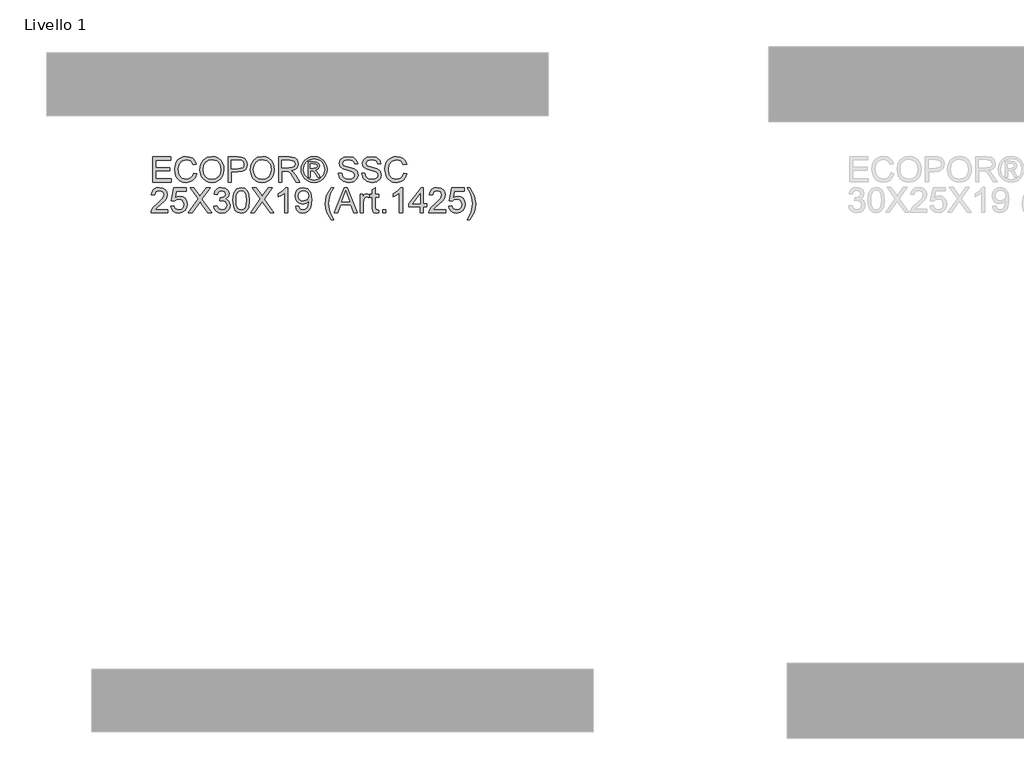
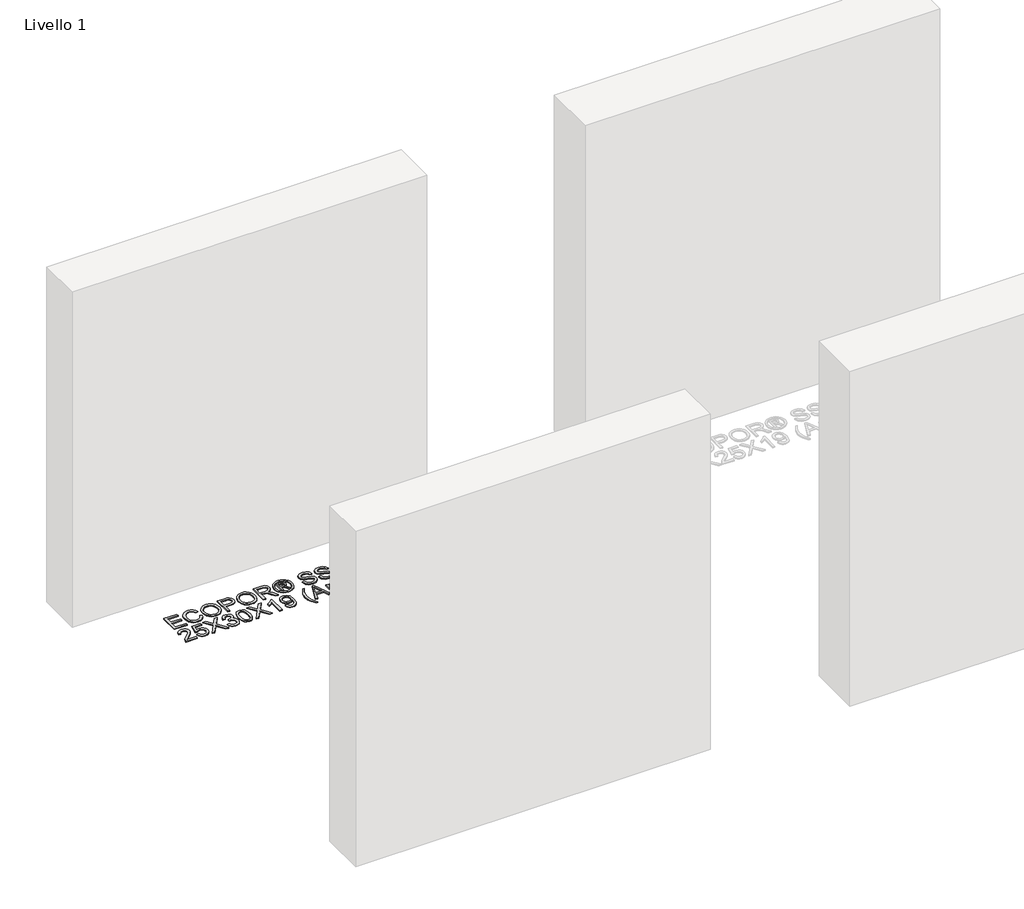
# One storey, part 3 of 10: 1 proxy.
"""IFC4 building model written with IfcOpenShell, lengths in millimetres."""

from ifc_helpers import new_model, si_unit, origin, origin_with_axes, place, context, project, spatial, polyline, outline, extrude, element, save

model = new_model("IFC4")

# Units and contexts
model_context = context("Model", 3, world=origin())
ifc_project = project(units=[si_unit("LENGTHUNIT", "METRE", prefix="MILLI")], contexts=[model_context])

# Site, building, storey
site = spatial("IfcSite", under=ifc_project)
building = spatial("IfcBuilding", under=site)
storey = spatial("IfcBuildingStorey", under=building, Name="Livello 1", Elevation=0.0)

# Proxy
placement = place(None, origin())
element("IfcBuildingElementProxy", 1, Name="100", ObjectType="100", at=placement, inside=storey, context=model_context, shape_type="SweptSolid", body=[
    extrude(outline(polyline([(-7504.5663261, 2603.4009726), (-7504.5663261, 2703.8572827), (-7432.3633532, 2703.8572827), (-7432.3633532, 2691.3002439), (-7492.0092873, 2691.3002439), (-7492.0092873, 2661.4772769), (-7435.5026129, 2661.4772769), (-7435.5026129, 2648.9202381), (-7492.0092873, 2648.9202381), (-7492.0092873, 2615.9580113), (-7430.7937233, 2615.9580113), (-7430.7937233, 2603.4009726), (-7504.5663261, 2603.4009726)])), origin_with_axes(), (0.0, 0.0, 1.0), 5.0),
    extrude(outline(polyline([(-7341.3248221, 2639.1100516), (-7328.7677834, 2635.87269), (-7334.5619248, 2621.2401836), (-7343.6547414, 2610.550146), (-7355.5986435, 2604.0110435), (-7369.9460413, 2601.8313427), (-7384.5111027, 2603.4806803), (-7396.0779257, 2608.4286932), (-7404.9438818, 2616.5037029), (-7411.4063422, 2627.5340314), (-7416.6670547, 2654.3894171), (-7415.1801983, 2669.0372519), (-7410.7196291, 2681.6862611), (-7403.5183391, 2691.9348404), (-7393.8093201, 2699.3813851), (-7382.2946136, 2703.9155307), (-7369.6762612, 2705.4269125), (-7355.9082775, 2703.4710066), (-7344.5253955, 2697.6032888), (-7335.8832343, 2688.1855097), (-7330.3374132, 2675.57942), (-7342.894452, 2672.5873131), (-7353.1951478, 2688.0260942), (-7370.1667705, 2692.8698738), (-7389.8116691, 2687.4987967), (-7400.9094426, 2673.0778224), (-7404.110016, 2654.4139426), (-7400.3208314, 2632.7824812), (-7388.5240821, 2618.9623809), (-7371.1968401, 2614.3883815), (-7360.7152689, 2615.9457486), (-7351.9811372, 2620.6178499), (-7345.3868525, 2628.3556346), (-7341.3248221, 2639.1100516)])), origin_with_axes(), (0.0, 0.0, 1.0), 5.0),
    extrude(outline(polyline([(-7316.2107446, 2652.3047524), (-7312.8630184, 2674.5186936), (-7302.81984, 2691.3247694), (-7287.4852921, 2701.9013768), (-7268.2634579, 2705.4269125), (-7255.0871511, 2703.7714436), (-7243.2720077, 2698.8050366), (-7233.4618211, 2690.8771796), (-7226.300385, 2680.3373605), (-7221.9225892, 2667.6944826), (-7220.463324, 2653.4574494), (-7221.9992313, 2639.0303438), (-7226.6069533, 2626.2096563), (-7234.0320382, 2615.651443), (-7244.0200344, 2608.0117602), (-7255.7340103, 2603.3764471), (-7268.3370343, 2601.8313427), (-7281.7156762, 2603.5389283), (-7293.5982646, 2608.6616851), (-7303.3839257, 2616.7366949), (-7310.4717855, 2627.3010395), (-7316.2107446, 2652.3047524)]), holes=[polyline([(-7303.6537058, 2652.1821251), (-7301.1429112, 2636.4674326), (-7293.6105273, 2624.4928736), (-7282.2889589, 2616.9145045), (-7268.4106107, 2614.3883815), (-7254.3299273, 2616.93903), (-7242.9899648, 2624.5909755), (-7235.5127633, 2636.9334164), (-7233.0203627, 2653.5555512), (-7237.2877939, 2674.2795703), (-7249.7589935, 2688.0015687), (-7268.1898815, 2692.8698738), (-7281.6972821, 2690.5246261), (-7293.1813317, 2683.4888829), (-7301.0356123, 2670.971698), (-7303.6537058, 2652.1821251)])]), origin_with_axes(), (0.0, 0.0, 1.0), 5.0),
    extrude(outline(polyline([(-7203.1973957, 2603.4009726), (-7203.1973957, 2703.8572827), (-7165.9677378, 2703.8572827), (-7150.9581523, 2702.9007895), (-7138.7567328, 2698.2041627), (-7130.8472699, 2688.492078), (-7127.8551631, 2674.7946051), (-7129.8754483, 2662.9549362), (-7135.9363042, 2653.0895674), (-7147.2701353, 2646.4309033), (-7165.1093464, 2644.2113486), (-7190.6403569, 2644.2113486), (-7190.6403569, 2603.4009726), (-7203.1973957, 2603.4009726)]), holes=[polyline([(-7190.6403569, 2656.7683873), (-7164.3735824, 2656.7683873), (-7145.8813808, 2661.379175), (-7141.7794966, 2666.9280618), (-7140.4122018, 2674.3531467), (-7143.6373006, 2684.7519444), (-7152.1108493, 2690.4418526), (-7164.667888, 2691.3002439), (-7190.6403569, 2691.3002439), (-7190.6403569, 2656.7683873)])]), origin_with_axes(), (0.0, 0.0, 1.0), 5.0),
    extrude(outline(polyline([(-7115.2981243, 2652.3047524), (-7111.9503981, 2674.5186936), (-7101.9072197, 2691.3247694), (-7086.5726718, 2701.9013768), (-7067.3508376, 2705.4269125), (-7054.1745308, 2703.7714436), (-7042.3593874, 2698.8050366), (-7032.5492008, 2690.8771796), (-7025.3877647, 2680.3373605), (-7021.0099689, 2667.6944826), (-7019.5507037, 2653.4574494), (-7021.086611, 2639.0303438), (-7025.694333, 2626.2096563), (-7033.1194179, 2615.651443), (-7043.1074141, 2608.0117602), (-7054.82139, 2603.3764471), (-7067.424414, 2601.8313427), (-7080.8030559, 2603.5389283), (-7092.6856443, 2608.6616851), (-7102.4713054, 2616.7366949), (-7109.5591652, 2627.3010395), (-7115.2981243, 2652.3047524)]), holes=[polyline([(-7102.7410855, 2652.1821251), (-7100.2302909, 2636.4674326), (-7092.697907, 2624.4928736), (-7081.3763386, 2616.9145045), (-7067.4979904, 2614.3883815), (-7053.417307, 2616.93903), (-7042.0773445, 2624.5909755), (-7034.600143, 2636.9334164), (-7032.1077424, 2653.5555512), (-7036.3751736, 2674.2795703), (-7048.8463732, 2688.0015687), (-7067.2772612, 2692.8698738), (-7080.7846618, 2690.5246261), (-7092.2687114, 2683.4888829), (-7100.122992, 2670.971698), (-7102.7410855, 2652.1821251)])]), origin_with_axes(), (0.0, 0.0, 1.0), 5.0),
    extrude(outline(polyline([(-7002.2847754, 2603.4009726), (-7002.2847754, 2703.8572827), (-6958.9973273, 2703.8572827), (-6938.8987076, 2701.1472187), (-6927.9112987, 2691.5577613), (-6923.8032831, 2676.3642349), (-6925.5047373, 2666.4682093), (-6930.6091, 2658.2644408), (-6939.2696553, 2652.2495701), (-6951.6396874, 2648.9202381), (-6944.5027767, 2643.549161), (-6934.3247081, 2630.6242402), (-6917.5738146, 2603.4009726), (-6932.1664671, 2603.4009726), (-6945.2385406, 2624.2230935), (-6954.6808452, 2638.0064056), (-6961.3149838, 2644.5179169), (-6967.2869349, 2646.9091499), (-6974.5709984, 2647.3506082), (-6989.7277366, 2647.3506082), (-6989.7277366, 2603.4009726), (-7002.2847754, 2603.4009726)]), holes=[polyline([(-6989.7277366, 2659.907647), (-6961.6215522, 2659.907647), (-6947.2864171, 2661.6857433), (-6939.1439623, 2667.3756515), (-6936.3603218, 2675.8982511), (-6941.6700853, 2686.9592364), (-6958.457767, 2691.3002439), (-6989.7277366, 2691.3002439), (-6989.7277366, 2659.907647)])]), origin_with_axes(), (0.0, 0.0, 1.0), 5.0),
    extrude(outline(polyline([(-6860.9935638, 2705.4269125), (-6848.0992998, 2703.7530495), (-6835.5116042, 2698.7314602), (-6824.4536846, 2690.5951368), (-6816.1487485, 2679.577071), (-6810.9524154, 2666.8544854), (-6809.2203043, 2653.6046022), (-6810.9278899, 2640.4712149), (-6816.0506467, 2627.8528625), (-6824.2544152, 2616.8746506), (-6835.2050359, 2608.6616851), (-6847.8141913, 2603.5389283), (-6860.9935638, 2601.8313427), (-6874.1545421, 2603.5389283), (-6886.7575661, 2608.6616851), (-6897.7173839, 2616.8746506), (-6905.9487436, 2627.8528625), (-6911.0990915, 2640.4712149), (-6912.8158741, 2653.6046022), (-6911.074566, 2666.8544854), (-6905.8506417, 2679.577071), (-6897.5181145, 2690.5951368), (-6886.4509978, 2698.7314602), (-6873.8694336, 2703.7530495), (-6860.9935638, 2705.4269125)]), holes=[polyline([(-6860.9935638, 2696.0091335), (-6881.8156847, 2690.5276917), (-6890.844122, 2683.8659619), (-6897.6713987, 2674.843656), (-6903.3980951, 2653.6046022), (-6897.7817633, 2632.5494893), (-6882.0609393, 2616.8654536), (-6860.9935638, 2611.2491218), (-6839.9139254, 2616.8654536), (-6824.2298897, 2632.5494893), (-6818.6380834, 2653.6046022), (-6824.3279916, 2674.843656), (-6831.1368742, 2683.8659619), (-6840.1837056, 2690.5276917), (-6860.9935638, 2696.0091335)])]), origin_with_axes(), (0.0, 0.0, 1.0), 5.0),
    extrude(outline(polyline([(-6884.5625369, 2622.2365307), (-6884.5625369, 2685.0217246), (-6864.2799762, 2685.0217246), (-6849.2213399, 2683.2926792), (-6841.8023863, 2677.2594145), (-6839.0432714, 2668.0991528), (-6843.8012118, 2656.1797761), (-6856.4073015, 2650.4898679), (-6851.5022083, 2647.1544045), (-6842.9428205, 2634.6218912), (-6835.9040117, 2622.2365307), (-6846.4990131, 2622.2365307), (-6852.0172431, 2632.19387), (-6861.2633439, 2646.6148443), (-6869.2831714, 2648.9202381), (-6875.1447578, 2648.9202381), (-6875.1447578, 2622.2365307), (-6884.5625369, 2622.2365307)]), holes=[polyline([(-6875.1447578, 2658.3380172), (-6863.2253812, 2658.3380172), (-6851.5757847, 2660.7292501), (-6848.4610504, 2667.0690832), (-6849.9571039, 2671.6308199), (-6854.1141704, 2674.6229268), (-6863.9856706, 2675.6039455), (-6875.1447578, 2675.6039455), (-6875.1447578, 2658.3380172)])]), origin_with_axes(), (0.0, 0.0, 1.0), 5.0),
    extrude(outline(polyline([(-6763.7010388, 2637.9328292), (-6751.144, 2637.9328292), (-6747.097298, 2625.3635277), (-6737.2135351, 2617.4172766), (-6722.1548988, 2614.3883815), (-6709.0337743, 2616.6815126), (-6700.5602257, 2622.9845574), (-6697.7765852, 2631.4090551), (-6699.8612499, 2639.2449416), (-6708.3961122, 2644.9471125), (-6726.6798473, 2649.7418412), (-6746.3615341, 2655.9345215), (-6757.0423746, 2665.2787241), (-6760.5617791, 2677.7621865), (-6756.2085088, 2691.9746943), (-6743.4920545, 2702.00561), (-6724.8772255, 2705.4269125), (-6705.0115978, 2701.8461945), (-6691.767846, 2691.3247694), (-6686.7891763, 2675.6039455), (-6699.3462151, 2675.6039455), (-6701.6516089, 2683.0964754), (-6706.4586003, 2688.5043408), (-6724.3867162, 2692.8698738), (-6742.363883, 2688.5533917), (-6748.0047403, 2678.1300685), (-6744.0070893, 2669.423528), (-6723.5037994, 2662.4092446), (-6701.2837269, 2656.1061997), (-6689.1313583, 2645.9281312), (-6685.2195465, 2631.7278862), (-6689.7199695, 2616.706038), (-6702.6694158, 2605.7431546), (-6721.6643894, 2601.8313427), (-6744.0929284, 2606.0497229), (-6758.2809107, 2618.7539145), (-6763.7010388, 2637.9328292)])), origin_with_axes(), (0.0, 0.0, 1.0), 5.0),
    extrude(outline(polyline([(-6671.0928778, 2637.9328292), (-6658.5358391, 2637.9328292), (-6654.4891371, 2625.3635277), (-6644.6053742, 2617.4172766), (-6629.5467379, 2614.3883815), (-6616.4256134, 2616.6815126), (-6607.9520647, 2622.9845574), (-6605.1684243, 2631.4090551), (-6607.2530889, 2639.2449416), (-6615.7879512, 2644.9471125), (-6634.0716864, 2649.7418412), (-6653.7533731, 2655.9345215), (-6664.4342137, 2665.2787241), (-6667.9536181, 2677.7621865), (-6663.6003479, 2691.9746943), (-6650.8838936, 2702.00561), (-6632.2690646, 2705.4269125), (-6612.4034369, 2701.8461945), (-6599.1596851, 2691.3247694), (-6594.1810154, 2675.6039455), (-6606.7380542, 2675.6039455), (-6609.043448, 2683.0964754), (-6613.8504394, 2688.5043408), (-6631.7785553, 2692.8698738), (-6649.7557221, 2688.5533917), (-6655.3965794, 2678.1300685), (-6651.3989284, 2669.423528), (-6630.8956385, 2662.4092446), (-6608.675566, 2656.1061997), (-6596.5231974, 2645.9281312), (-6592.6113855, 2631.7278862), (-6597.1118086, 2616.706038), (-6610.0612548, 2605.7431546), (-6629.0562285, 2601.8313427), (-6651.4847675, 2606.0497229), (-6665.6727498, 2618.7539145), (-6671.0928778, 2637.9328292)])), origin_with_axes(), (0.0, 0.0, 1.0), 5.0),
    extrude(outline(polyline([(-6503.1424843, 2639.1100516), (-6490.5854455, 2635.87269), (-6496.379587, 2621.2401836), (-6505.4724036, 2610.550146), (-6517.4163057, 2604.0110435), (-6531.7637035, 2601.8313427), (-6546.3287649, 2603.4806803), (-6557.8955879, 2608.4286932), (-6566.761544, 2616.5037029), (-6573.2240044, 2627.5340314), (-6578.4847169, 2654.3894171), (-6576.9978605, 2669.0372519), (-6572.5372913, 2681.6862611), (-6565.3360013, 2691.9348404), (-6555.6269823, 2699.3813851), (-6544.1122758, 2703.9155307), (-6531.4939234, 2705.4269125), (-6517.7259397, 2703.4710066), (-6506.3430577, 2697.6032888), (-6497.7008965, 2688.1855097), (-6492.1550754, 2675.57942), (-6504.7121142, 2672.5873131), (-6515.01281, 2688.0260942), (-6531.9844327, 2692.8698738), (-6551.6293313, 2687.4987967), (-6562.7271048, 2673.0778224), (-6565.9276782, 2654.4139426), (-6562.1384936, 2632.7824812), (-6550.3417443, 2618.9623809), (-6533.0145023, 2614.3883815), (-6522.5329311, 2615.9457486), (-6513.7987994, 2620.6178499), (-6507.2045147, 2628.3556346), (-6503.1424843, 2639.1100516)])), origin_with_axes(), (0.0, 0.0, 1.0), 5.0),
    extrude(outline(polyline([(-7444.920392, 2493.9831935), (-7444.920392, 2481.4261547), (-7510.8448455, 2481.4261547), (-7509.4959448, 2490.0836443), (-7501.8685248, 2503.4132353), (-7486.1477009, 2517.9690996), (-7464.4671886, 2538.8893224), (-7459.0470606, 2553.1140928), (-7464.1606203, 2564.6287993), (-7477.5147367, 2569.3254261), (-7491.4329389, 2564.7391639), (-7496.7181769, 2552.0594978), (-7509.2752157, 2553.6291276), (-7506.2309921, 2565.7753648), (-7499.6489701, 2574.6474523), (-7489.8725061, 2580.0737117), (-7477.2449566, 2581.8824649), (-7464.5254366, 2579.8713766), (-7454.7673667, 2573.8381119), (-7448.559358, 2564.825003), (-7446.4900218, 2553.8743823), (-7448.7218392, 2541.9672684), (-7456.1407928, 2529.6554843), (-7474.1302224, 2512.4508696), (-7488.5757221, 2500.3720775), (-7494.2411048, 2493.9831935), (-7444.920392, 2493.9831935)])), origin_with_axes(), (0.0, 0.0, 1.0), 5.0),
    extrude(outline(polyline([(-7432.3633532, 2508.1098621), (-7419.8063144, 2509.6794919), (-7413.4787441, 2496.7423084), (-7400.3576196, 2492.4135636), (-7391.3567735, 2493.9188141), (-7384.6122702, 2498.4345656), (-7380.4000214, 2505.4396519), (-7378.9959384, 2514.4129069), (-7384.256651, 2529.3243905), (-7390.8631985, 2533.4262747), (-7400.1614159, 2534.7935695), (-7411.185613, 2532.610803), (-7418.2366846, 2526.9454202), (-7430.7937233, 2528.5150501), (-7419.8063144, 2580.312835), (-7371.1477892, 2580.312835), (-7371.1477892, 2567.7557962), (-7409.6527714, 2567.7557962), (-7415.0238485, 2540.0910702), (-7406.0536592, 2545.5357237), (-7396.6542742, 2547.3506082), (-7384.9219042, 2545.1003967), (-7375.1822284, 2538.3497621), (-7368.6247318, 2528.061329), (-7366.4388997, 2515.1977219), (-7368.4070683, 2502.6406831), (-7374.3115744, 2491.8985288), (-7385.6178143, 2482.8670259), (-7400.4066705, 2479.8565249), (-7412.7399144, 2481.790971), (-7422.5654294, 2487.5943095), (-7429.3007356, 2496.59209), (-7432.3633532, 2508.1098621)])), origin_with_axes(), (0.0, 0.0, 1.0), 5.0),
    extrude(outline(polyline([(-7361.7300101, 2481.4261547), (-7323.0042988, 2536.1669956), (-7355.4514907, 2581.8824649), (-7340.3928544, 2581.8824649), (-7322.121382, 2556.1552507), (-7315.9654899, 2546.1243349), (-7308.7550028, 2556.3269289), (-7290.6797341, 2581.8824649), (-7275.4003686, 2581.8824649), (-7307.8475606, 2536.0198428), (-7269.1218492, 2481.4261547), (-7284.1804855, 2481.4261547), (-7309.9812761, 2517.8219468), (-7315.3523533, 2525.3757904), (-7321.2629906, 2517.0861828), (-7346.4506446, 2481.4261547), (-7361.7300101, 2481.4261547)])), origin_with_axes(), (0.0, 0.0, 1.0), 5.0),
    extrude(outline(polyline([(-7261.2737, 2508.1098621), (-7248.7166612, 2509.6794919), (-7241.788217, 2496.4602656), (-7228.826508, 2492.4135636), (-7220.2180693, 2493.8053838), (-7213.5716679, 2497.9808445), (-7207.9062852, 2511.7641566), (-7213.522617, 2524.750391), (-7227.7964384, 2529.8884762), (-7236.6010808, 2528.5150501), (-7235.2031292, 2541.0720889), (-7233.192041, 2540.9249361), (-7218.9427451, 2544.5301796), (-7214.1970673, 2549.1041791), (-7212.6151747, 2555.6156904), (-7217.2014369, 2565.4381397), (-7229.0227117, 2569.3254261), (-7240.9911393, 2565.4013515), (-7247.1470314, 2553.6291276), (-7259.7040701, 2555.1987575), (-7256.0068561, 2566.4743406), (-7249.4278997, 2574.8927069), (-7240.4270536, 2580.1350254), (-7229.4641701, 2581.8824649), (-7214.3196947, 2578.4366368), (-7203.7246932, 2569.0188578), (-7200.058136, 2556.3514544), (-7203.5407522, 2544.7754343), (-7213.8414481, 2536.4613012), (-7200.1562378, 2527.877388), (-7195.3492464, 2511.5434274), (-7197.7527421, 2499.3052197), (-7204.9632292, 2489.0781002), (-7215.8464049, 2482.1619187), (-7229.2679664, 2479.8565249), (-7241.4080722, 2481.8246935), (-7251.2918352, 2487.7291996), (-7258.1650971, 2496.7607025), (-7261.2737, 2508.1098621)])), origin_with_axes(), (0.0, 0.0, 1.0), 5.0),
    extrude(outline(polyline([(-7184.3618375, 2530.8449694), (-7180.6707548, 2559.7482315), (-7169.7078714, 2576.4132859), (-7151.3996107, 2581.8824649), (-7136.7333819, 2578.6451033), (-7126.6043643, 2569.3131634), (-7120.7182523, 2554.4507308), (-7118.437384, 2530.8449694), (-7122.0916785, 2502.0643346), (-7133.0177737, 2485.3624921), (-7141.2491334, 2481.2330167), (-7151.3996107, 2479.8565249), (-7164.4471588, 2482.2477578), (-7174.3554472, 2489.4214567), (-7181.8602399, 2506.4114735), (-7184.3618375, 2530.8449694)]), holes=[polyline([(-7171.8047987, 2530.8694949), (-7170.3332708, 2511.1172974), (-7165.9186868, 2499.6853644), (-7159.3458618, 2494.2315138), (-7151.3996107, 2492.4135636), (-7143.4533596, 2494.2376452), (-7136.8805347, 2499.7098899), (-7132.4659507, 2511.1479542), (-7130.9944227, 2530.8694949), (-7132.4168998, 2550.1771682), (-7136.6843309, 2561.6980061), (-7143.2448932, 2567.4185711), (-7151.5467635, 2569.3254261), (-7159.4071755, 2567.6454316), (-7165.7224831, 2562.6054483), (-7170.2842198, 2550.3672406), (-7171.8047987, 2530.8694949)])]), origin_with_axes(), (0.0, 0.0, 1.0), 5.0),
    extrude(outline(polyline([(-7113.7284944, 2481.4261547), (-7075.0027831, 2536.1669956), (-7107.4499751, 2581.8824649), (-7092.3913387, 2581.8824649), (-7074.1198663, 2556.1552507), (-7067.9639742, 2546.1243349), (-7060.7534871, 2556.3269289), (-7042.6782184, 2581.8824649), (-7027.3988529, 2581.8824649), (-7059.8460449, 2536.0198428), (-7021.1203335, 2481.4261547), (-7036.1789699, 2481.4261547), (-7061.9797604, 2517.8219468), (-7067.3508376, 2525.3757904), (-7073.261475, 2517.0861828), (-7098.4491289, 2481.4261547), (-7113.7284944, 2481.4261547)])), origin_with_axes(), (0.0, 0.0, 1.0), 5.0),
    extrude(outline(polyline([(-6966.1832889, 2481.4261547), (-6978.7403277, 2481.4261547), (-6978.7403277, 2559.7114433), (-6990.6351789, 2551.2378947), (-7003.8544052, 2544.8980616), (-7003.8544052, 2556.7683873), (-6985.4480427, 2568.5160857), (-6974.2766928, 2581.8824649), (-6966.1832889, 2581.8824649), (-6966.1832889, 2481.4261547)])), origin_with_axes(), (0.0, 0.0, 1.0), 5.0),
    extrude(outline(polyline([(-6934.790692, 2506.5402322), (-6922.2336532, 2508.1098621), (-6916.592796, 2496.1291718), (-6905.8996926, 2492.4135636), (-6895.7338868, 2494.8047966), (-6888.8422308, 2501.1936806), (-6884.7342152, 2512.1075131), (-6882.9193307, 2526.6756401), (-6882.9929071, 2529.1281867), (-6893.0360855, 2519.6123058), (-6906.8071349, 2515.9580113), (-6918.257462, 2518.1898288), (-6927.7886713, 2524.8852811), (-6934.2174092, 2535.2288965), (-6936.3603218, 2548.4052033), (-6934.113176, 2562.0168371), (-6927.3717384, 2572.685415), (-6917.2457865, 2579.5832024), (-6904.8450976, 2581.8824649), (-6886.9537699, 2576.6340151), (-6874.6419858, 2561.6734806), (-6870.4358683, 2533.5672962), (-6874.629723, 2503.0698788), (-6879.8444503, 2493.0788169), (-6887.1009227, 2485.7916877), (-6896.0864404, 2481.3403156), (-6906.4883038, 2479.8565249), (-6917.2243267, 2481.60703), (-6925.7898458, 2486.8585455), (-6931.780191, 2495.2799775), (-6934.790692, 2506.5402322)]), holes=[polyline([(-6882.9929071, 2548.6995089), (-6884.3479391, 2557.2098457), (-6888.4130351, 2563.7581452), (-6894.7222113, 2567.9336059), (-6902.8094839, 2569.3254261), (-6911.1971934, 2567.826307), (-6917.9171711, 2563.3289496), (-6922.3317551, 2556.4464906), (-6923.8032831, 2547.7920666), (-6922.4114628, 2540.0328222), (-6918.2360022, 2533.8738645), (-6911.6815713, 2529.8547537), (-6903.1528404, 2528.5150501), (-6888.6705525, 2533.8738645), (-6884.4123184, 2540.2596828), (-6882.9929071, 2548.6995089)])]), origin_with_axes(), (0.0, 0.0, 1.0), 5.0),
    extrude(outline(polyline([(-6791.954376, 2453.1728175), (-6809.78439, 2482.6279026), (-6815.2474377, 2499.8079917), (-6817.0684535, 2517.6012176), (-6811.6238, 2548.1354232), (-6791.954376, 2581.8824649), (-6782.5365969, 2581.8824649), (-6794.2842953, 2561.9923117), (-6801.3476296, 2542.7152951), (-6804.5114148, 2517.5276412), (-6799.0177103, 2485.3379666), (-6782.5365969, 2453.1728175), (-6791.954376, 2453.1728175)])), origin_with_axes(), (0.0, 0.0, 1.0), 5.0),
    extrude(outline(polyline([(-6780.1085757, 2481.4261547), (-6740.0094383, 2581.8824649), (-6729.3163349, 2581.8824649), (-6689.2171975, 2481.4261547), (-6702.4854748, 2481.4261547), (-6713.9879185, 2512.8187516), (-6755.3623802, 2512.8187516), (-6766.8402985, 2481.4261547), (-6780.1085757, 2481.4261547)]), holes=[polyline([(-6750.7515925, 2525.3757904), (-6718.5741807, 2525.3757904), (-6727.6240778, 2550.072935), (-6734.6628866, 2569.3254261), (-6740.9168805, 2552.231176), (-6750.7515925, 2525.3757904)])]), origin_with_axes(), (0.0, 0.0, 1.0), 5.0),
    extrude(outline(polyline([(-6677.3713972, 2481.4261547), (-6677.3713972, 2555.1987575), (-6666.3839883, 2555.1987575), (-6666.3839883, 2544.284925), (-6658.58489, 2554.3403662), (-6650.7367408, 2556.7683873), (-6638.1306511, 2552.8933636), (-6642.3245058, 2541.6361746), (-6651.1536737, 2544.2113486), (-6658.2537962, 2541.7342765), (-6662.7787447, 2534.8671459), (-6664.8143585, 2520.200917), (-6664.8143585, 2481.4261547), (-6677.3713972, 2481.4261547)])), origin_with_axes(), (0.0, 0.0, 1.0), 5.0),
    extrude(outline(polyline([(-6603.5987945, 2491.8985288), (-6602.0291646, 2481.0582727), (-6611.4224182, 2479.8565249), (-6621.9438433, 2481.9411895), (-6627.1922931, 2487.4103685), (-6628.712872, 2501.6596644), (-6628.712872, 2542.6417187), (-6638.1306511, 2542.6417187), (-6638.1306511, 2555.1987575), (-6628.712872, 2555.1987575), (-6628.712872, 2573.1268734), (-6616.1558332, 2580.5090387), (-6616.1558332, 2555.1987575), (-6603.5987945, 2555.1987575), (-6603.5987945, 2542.6417187), (-6616.1558332, 2542.6417187), (-6616.1558332, 2502.0275464), (-6615.4936456, 2495.5528233), (-6613.3476673, 2493.2596922), (-6609.0679735, 2492.4135636), (-6603.5987945, 2491.8985288)])), origin_with_axes(), (0.0, 0.0, 1.0), 5.0),
    extrude(outline(polyline([(-6587.902496, 2481.4261547), (-6587.902496, 2493.9831935), (-6575.3454572, 2493.9831935), (-6575.3454572, 2481.4261547), (-6587.902496, 2481.4261547)])), origin_with_axes(), (0.0, 0.0, 1.0), 5.0),
    extrude(outline(polyline([(-6507.8513738, 2481.4261547), (-6520.4084126, 2481.4261547), (-6520.4084126, 2559.7114433), (-6532.3032638, 2551.2378947), (-6545.5224902, 2544.8980616), (-6545.5224902, 2556.7683873), (-6527.1161277, 2568.5160857), (-6515.9447777, 2581.8824649), (-6507.8513738, 2581.8824649), (-6507.8513738, 2481.4261547)])), origin_with_axes(), (0.0, 0.0, 1.0), 5.0),
    extrude(outline(polyline([(-6437.2180308, 2481.4261547), (-6437.2180308, 2504.9706024), (-6482.7372963, 2504.9706024), (-6482.7372963, 2517.5276412), (-6434.0787711, 2580.312835), (-6424.660992, 2580.312835), (-6424.660992, 2517.5276412), (-6412.1039532, 2517.5276412), (-6412.1039532, 2504.9706024), (-6424.660992, 2504.9706024), (-6424.660992, 2481.4261547), (-6437.2180308, 2481.4261547)]), holes=[polyline([(-6437.2180308, 2517.5276412), (-6437.2180308, 2556.3269289), (-6467.2862525, 2517.5276412), (-6437.2180308, 2517.5276412)])]), origin_with_axes(), (0.0, 0.0, 1.0), 5.0),
    extrude(outline(polyline([(-6336.7617206, 2493.9831935), (-6336.7617206, 2481.4261547), (-6402.6861742, 2481.4261547), (-6401.3372735, 2490.0836443), (-6393.7098535, 2503.4132353), (-6377.9890296, 2517.9690996), (-6356.3085173, 2538.8893224), (-6350.8883892, 2553.1140928), (-6356.001949, 2564.6287993), (-6369.3560654, 2569.3254261), (-6383.2742675, 2564.7391639), (-6388.5595055, 2552.0594978), (-6401.1165443, 2553.6291276), (-6398.0723208, 2565.7753648), (-6391.4902988, 2574.6474523), (-6381.7138348, 2580.0737117), (-6369.0862853, 2581.8824649), (-6356.3667653, 2579.8713766), (-6346.6086954, 2573.8381119), (-6340.4006867, 2564.825003), (-6338.3313505, 2553.8743823), (-6340.5631679, 2541.9672684), (-6347.9821215, 2529.6554843), (-6365.971551, 2512.4508696), (-6380.4170507, 2500.3720775), (-6386.0824334, 2493.9831935), (-6336.7617206, 2493.9831935)])), origin_with_axes(), (0.0, 0.0, 1.0), 5.0),
    extrude(outline(polyline([(-6324.2046819, 2508.1098621), (-6311.6476431, 2509.6794919), (-6305.3200728, 2496.7423084), (-6292.1989483, 2492.4135636), (-6283.1981021, 2493.9188141), (-6276.4535989, 2498.4345656), (-6272.24135, 2505.4396519), (-6270.8372671, 2514.4129069), (-6276.0979796, 2529.3243905), (-6282.7045271, 2533.4262747), (-6292.0027445, 2534.7935695), (-6303.0269417, 2532.610803), (-6310.0780132, 2526.9454202), (-6322.635052, 2528.5150501), (-6311.6476431, 2580.312835), (-6262.9891179, 2580.312835), (-6262.9891179, 2567.7557962), (-6301.4941, 2567.7557962), (-6306.8651771, 2540.0910702), (-6297.8949878, 2545.5357237), (-6288.4956029, 2547.3506082), (-6276.7632329, 2545.1003967), (-6267.0235571, 2538.3497621), (-6260.4660605, 2528.061329), (-6258.2802283, 2515.1977219), (-6260.248397, 2502.6406831), (-6266.152903, 2491.8985288), (-6277.459143, 2482.8670259), (-6292.2479992, 2479.8565249), (-6304.5812431, 2481.790971), (-6314.4067581, 2487.5943095), (-6321.1420642, 2496.59209), (-6324.2046819, 2508.1098621)])), origin_with_axes(), (0.0, 0.0, 1.0), 5.0),
    extrude(outline(polyline([(-6241.0143, 2453.1728175), (-6250.4320791, 2453.1728175), (-6233.9509657, 2485.3379666), (-6228.4572612, 2517.5276412), (-6231.6210464, 2542.4945659), (-6238.6108043, 2561.7961079), (-6250.4320791, 2581.8824649), (-6241.0143, 2581.8824649), (-6221.344876, 2548.1354232), (-6215.9002225, 2517.6012176), (-6217.7304354, 2499.8079917), (-6223.2210742, 2482.6279026), (-6241.0143, 2453.1728175)])), origin_with_axes(), (0.0, 0.0, 1.0), 5.0),
])

save(model, "model.ifc")
